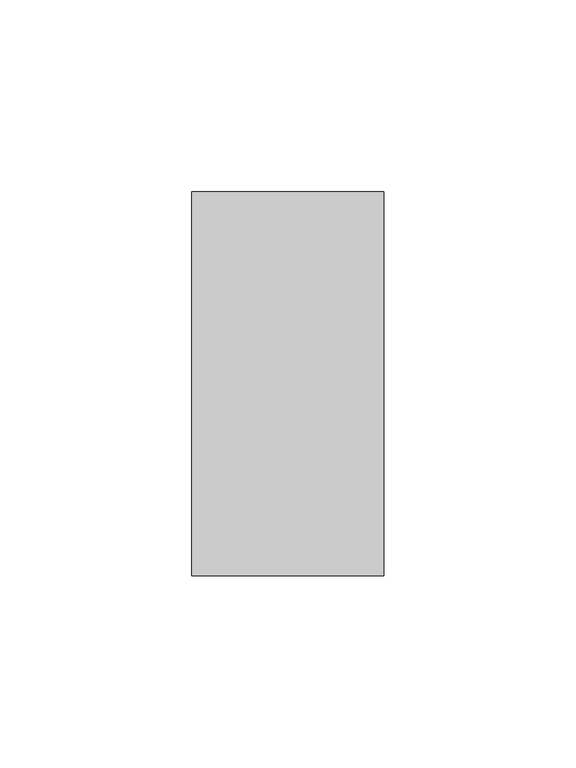
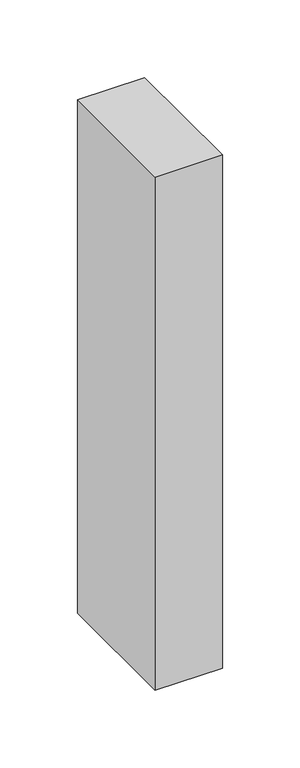
"""IFC4 building model written with IfcOpenShell, lengths in millimetres: member geometry."""

from ifc_helpers import new_model, si_unit, frame, origin, place, context, project, spatial, polyline, outline, extrude, source, transform, mapped, element, save


def member_9b1e6ccb(model_context):
    return source(origin(), model_context, "Body", "SweptSolid", [
        extrude(outline(polyline([(0.0, 50.0), (0.0, -50.0), (-50.0, -50.0), (-50.0, 50.0), (0.0, 50.0)])), frame((0.0, 0.0, -403.3552083), z_axis=(0.0, 0.0, 1.0), x_axis=(1.0, 0.0, 0.0)), (0.0, 0.0, 1.0), 403.3552083),
    ])


if __name__ == "__main__":
    model = new_model("IFC4")
    model_context = context("Model", 3, world=origin())
    ifc_project = project(units=[si_unit("LENGTHUNIT", "METRE", prefix="MILLI")], contexts=[model_context])
    site = spatial("IfcSite", under=ifc_project)
    building = spatial("IfcBuilding", under=site)
    placement = place(None, origin())
    member_shape = member_9b1e6ccb(model_context)
    element("IfcMember", 1, at=placement, inside=building, context=model_context, shape_type="MappedRepresentation", body=[
        mapped(member_shape, transform((0.0, 0.0, 0.0), x_axis=(1.0, 0.0, 0.0), y_axis=(0.0, 1.0, 0.0), z_axis=(0.0, 0.0, 1.0))),
    ])
    save(model, "model.ifc")
